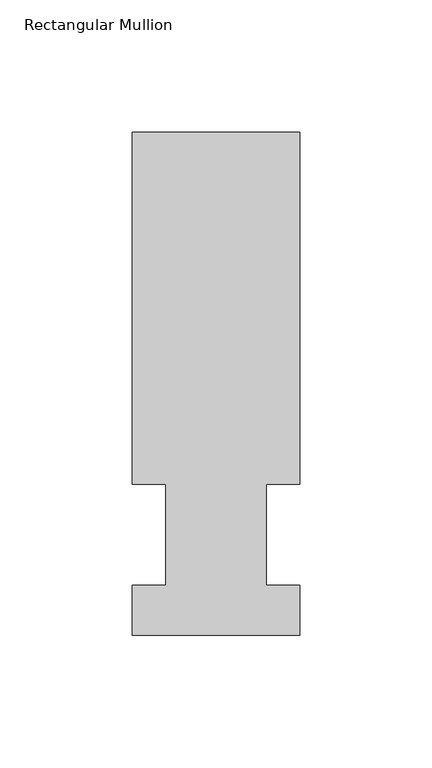
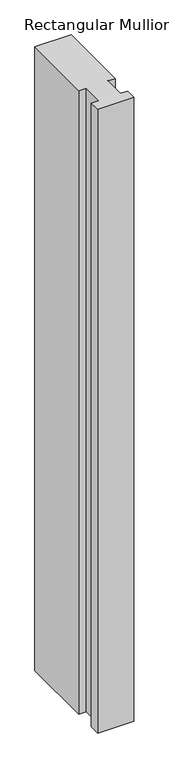
"""IFC4 building model written with IfcOpenShell, lengths in millimetres: member geometry, Rectangular Mullion."""

from ifc_helpers import new_model, si_unit, frame, origin, place, context, project, spatial, polyline, outline, extrude, source, transform, mapped, element, save


def rectangular_mullion_573b2a43(model_context):
    return source(origin(), model_context, "Body", "SweptSolid", [
        extrude(outline(polyline([(31.75, 190.5), (31.75, 57.15), (19.0500001, 57.15), (19.0500001, 19.05), (31.7500005, 19.05), (31.7500005, -0.0137627), (-31.7499995, -0.0137627), (-31.7499995, 19.05), (-19.0500001, 19.05), (-19.0500001, 57.15), (-31.7500006, 57.15), (-31.7500006, 190.5), (31.75, 190.5)])), frame((0.0, 0.0, -1155.7000001), z_axis=(0.0, 0.0, 1.0), x_axis=(1.0, 0.0, 0.0)), (0.0, 0.0, 1.0), 1155.7000001),
    ])


if __name__ == "__main__":
    model = new_model("IFC4")
    model_context = context("Model", 3, world=origin())
    ifc_project = project(units=[si_unit("LENGTHUNIT", "METRE", prefix="MILLI")], contexts=[model_context])
    site = spatial("IfcSite", under=ifc_project)
    building = spatial("IfcBuilding", under=site)
    placement = place(None, origin())
    rectangular_mullion_shape = rectangular_mullion_573b2a43(model_context)
    element("IfcMember", 1, ObjectType="Rectangular Mullion", at=placement, inside=building, context=model_context, shape_type="MappedRepresentation", body=[
        mapped(rectangular_mullion_shape, transform((0.0, 0.0, 0.0), x_axis=(1.0, 0.0, 0.0), y_axis=(0.0, 1.0, 0.0), z_axis=(0.0, 0.0, 1.0))),
    ])
    save(model, "model.ifc")
